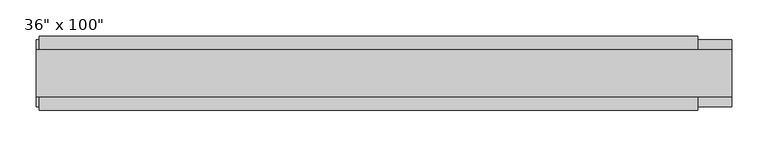
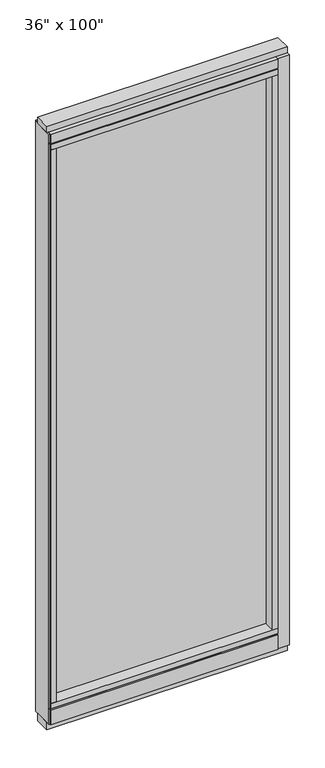
"""IFC4 building model written with IfcOpenShell, lengths in millimetres: furniture geometry."""

from ifc_helpers import new_model, si_unit, frame, origin, origin_with_axes, place, context, project, spatial, polyline, outline, extrude, source, transform, mapped, element, save


def furniture_1ed3974d(model_context):
    return source(origin(), model_context, "Body", "SweptSolid", [
        extrude(outline(polyline([(371.0014771, 9.5977216), (371.0014771, -0.5622784), (-491.0745229, -0.5622784), (-491.0745229, 9.5977216), (371.0014771, 9.5977216)])), frame((0.0, 0.0, 120.523), z_axis=(0.0, 0.0, 1.0), x_axis=(1.0, 0.0, 0.0)), (0.0, 0.0, 1.0), 2330.577),
        extrude(outline(polyline([(55.3177216, 93.345), (55.3177216, 31.75), (-46.2822784, 31.75), (-46.2822784, 93.345), (-41.3292784, 93.345), (-41.3292784, 98.298), (50.3647216, 98.298), (50.3647216, 93.345), (55.3177216, 93.345)])), frame((-513.2995229, 0.0, 0.0), z_axis=(1.0, 0.0, 0.0), x_axis=(0.0, 1.0, 0.0)), (0.0, 0.0, 1.0), 906.526),
        extrude(outline(polyline([(-513.2995229, 55.3177216), (393.2264771, 55.3177216), (393.2264771, -46.2822784), (-513.2995229, -46.2822784), (-513.2995229, 55.3177216)])), frame((0.0, 0.0, 98.298), z_axis=(0.0, 0.0, 1.0), x_axis=(1.0, 0.0, 0.0)), (0.0, 0.0, 1.0), 22.225),
        extrude(outline(polyline([(440.0894771, -27.9942784), (-517.2365229, -27.9942784), (-517.2365229, 37.0297216), (440.0894771, 37.0297216), (440.0894771, -27.9942784)])), origin_with_axes(), (0.0, 0.0, 1.0), 31.75),
        extrude(outline(polyline([(-517.2365229, 37.0297216), (440.0894771, 37.0297216), (440.0894771, -27.9942784), (-517.2365229, -27.9942784), (-517.2365229, 37.0297216)])), frame((0.0, 0.0, 2514.6), z_axis=(0.0, 0.0, 1.0), x_axis=(1.0, 0.0, 0.0)), (0.0, 0.0, 1.0), 25.4),
        extrude(outline(polyline([(55.3177216, 2478.278), (50.3647216, 2478.278), (50.3647216, 2473.325), (-41.3292784, 2473.325), (-41.3292784, 2478.278), (-46.2822784, 2478.278), (-46.2822784, 2514.6), (55.3177216, 2514.6), (55.3177216, 2478.278)])), frame((-513.2995229, 0.0, 0.0), z_axis=(1.0, 0.0, 0.0), x_axis=(0.0, 1.0, 0.0)), (0.0, 0.0, 1.0), 906.526),
        extrude(outline(polyline([(393.2264771, -46.2822784), (-513.2995229, -46.2822784), (-513.2995229, 55.3177216), (393.2264771, 55.3177216), (393.2264771, -46.2822784)])), frame((0.0, 0.0, 2451.1), z_axis=(0.0, 0.0, 1.0), x_axis=(1.0, 0.0, 0.0)), (0.0, 0.0, 1.0), 22.225),
        extrude(outline(polyline([(371.0014771, 55.3177216), (393.2264771, 55.3177216), (393.2264771, -46.2822784), (371.0014771, -46.2822784), (371.0014771, 55.3177216)])), frame((0.0, 0.0, 120.523), z_axis=(0.0, 0.0, 1.0), x_axis=(1.0, 0.0, 0.0)), (0.0, 0.0, 1.0), 2330.577),
        extrude(outline(polyline([(-491.0745229, 55.3177216), (-491.0745229, -46.2822784), (-513.2995229, -46.2822784), (-513.2995229, 55.3177216), (-491.0745229, 55.3177216)])), frame((0.0, 0.0, 120.523), z_axis=(0.0, 0.0, 1.0), x_axis=(1.0, 0.0, 0.0)), (0.0, 0.0, 1.0), 2330.577),
        extrude(outline(polyline([(440.0894771, 50.3647216), (440.0894771, -41.3292784), (393.2264771, -41.3292784), (393.2264771, 50.3647216), (440.0894771, 50.3647216)])), frame((0.0, 0.0, 31.75), z_axis=(0.0, 0.0, 1.0), x_axis=(1.0, 0.0, 0.0)), (0.0, 0.0, 1.0), 2482.85),
        extrude(outline(polyline([(-517.2365229, 50.3647216), (-513.2995229, 50.3647216), (-513.2995229, -41.3292784), (-517.2365229, -41.3292784), (-517.2365229, 50.3647216)])), frame((0.0, 0.0, 31.75), z_axis=(0.0, 0.0, 1.0), x_axis=(1.0, 0.0, 0.0)), (0.0, 0.0, 1.0), 2482.85),
    ])


if __name__ == "__main__":
    model = new_model("IFC4")
    model_context = context("Model", 3, world=origin())
    ifc_project = project(units=[si_unit("LENGTHUNIT", "METRE", prefix="MILLI")], contexts=[model_context])
    site = spatial("IfcSite", under=ifc_project)
    building = spatial("IfcBuilding", under=site)
    placement = place(None, origin())
    furniture_shape = furniture_1ed3974d(model_context)
    element("IfcFurniture", 1, ObjectType="36\" x 100\"", at=placement, inside=building, context=model_context, shape_type="MappedRepresentation", body=[
        mapped(furniture_shape, transform((0.0, 0.0, 0.0), x_axis=(1.0, 0.0, 0.0), y_axis=(0.0, 1.0, 0.0), z_axis=(0.0, 0.0, 1.0))),
    ])
    save(model, "model.ifc")
